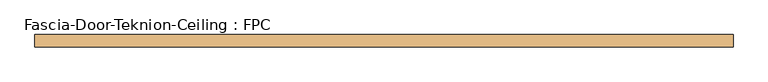
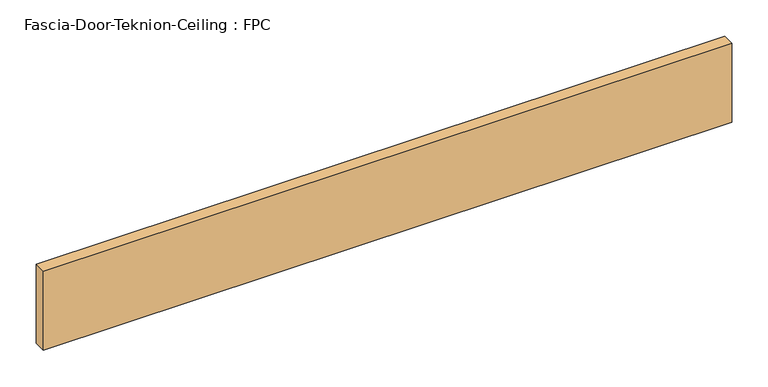
"""IFC4 building model written with IfcOpenShell, lengths in millimetres: door geometry, Fascia-Door-Teknion-Ceiling : FPC."""

from ifc_helpers import new_model, si_unit, origin, origin_with_axes, place, context, project, spatial, polyline, outline, extrude, source, transform, mapped, element, save


def fascia_door_teknion_ceiling_fpc_62af43c9(model_context):
    return source(origin(), model_context, "Body", "SweptSolid", [
        extrude(outline(polyline([(544.8101563, 0.0), (544.8101563, -19.05), (-544.8101562, -19.05), (-544.8101562, 0.0), (544.8101563, 0.0)])), origin_with_axes(), (0.0, 0.0, 1.0), 132.08),
    ])


if __name__ == "__main__":
    model = new_model("IFC4")
    model_context = context("Model", 3, world=origin())
    ifc_project = project(units=[si_unit("LENGTHUNIT", "METRE", prefix="MILLI")], contexts=[model_context])
    site = spatial("IfcSite", under=ifc_project)
    building = spatial("IfcBuilding", under=site)
    placement = place(None, origin())
    fascia_door_teknion_ceiling_fpc_shape = fascia_door_teknion_ceiling_fpc_62af43c9(model_context)
    element("IfcDoor", 1, ObjectType="Fascia-Door-Teknion-Ceiling : FPC", at=placement, inside=building, context=model_context, shape_type="MappedRepresentation", body=[
        mapped(fascia_door_teknion_ceiling_fpc_shape, transform((0.0, 0.0, 0.0), x_axis=(1.0, 0.0, 0.0), y_axis=(0.0, 1.0, 0.0), z_axis=(0.0, 0.0, 1.0))),
    ])
    save(model, "model.ifc")
